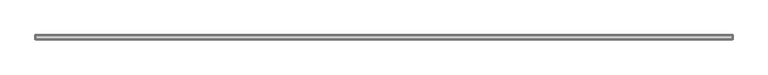
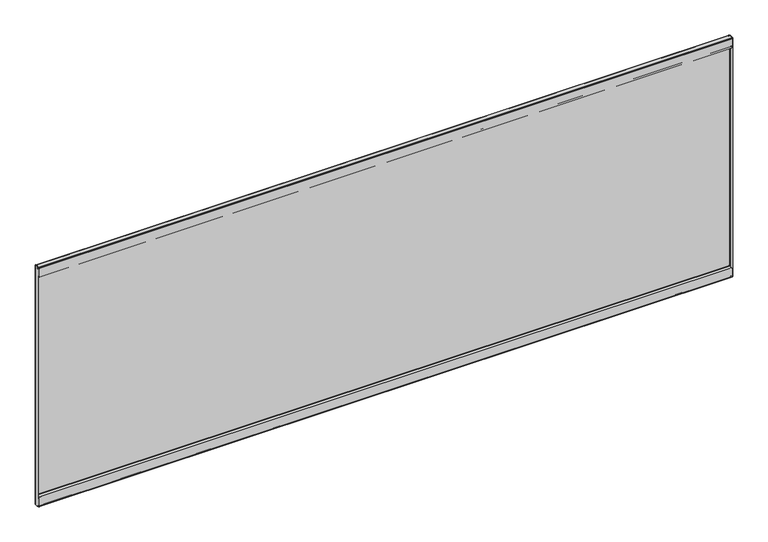
"""IFC4 building model written with IfcOpenShell, lengths in millimetres: furniture geometry."""

from ifc_helpers import new_model, si_unit, origin, place, context, project, spatial, triangles, source, transform, mapped, element, save


def furniture_5db5a4dc(model_context):
    return source(origin(), model_context, "Body", "Tessellation", [
        triangles([(36.8807998, -16.4083996, 61.8998009), (36.8807998, -15.6717996, 61.8998009), (36.1188005, -15.6717996, 61.695621), (36.1188005, -16.4083996, 61.695621), (35.5609767, -15.6717996, 61.1378016), (35.5609767, -16.4083996, 61.1378016), (35.356799, -15.6717996, 60.3757978), (35.356799, -16.4083996, 60.3757978), (35.356799, -16.4083996, 49.9364005), (35.356799, -15.6717996, 49.9364005), (35.356799, -15.8691713, 49.1997994), (35.356799, -16.5070854, 49.5681), (35.356799, -16.4083996, 48.66057), (35.356799, -16.7767001, 49.2984852), (35.356799, -17.1449995, 49.1997994), (35.356799, -17.1449995, 48.4631983), (1793.4940155, -15.6717996, 49.9364005), (1793.4940155, -15.8691713, 49.1997994), (1793.4940155, -16.4083996, 48.66057), (1793.4940155, -17.1449995, 48.4631983), (1791.9699806, -16.4083996, 61.8998009), (1791.9699806, -15.6717996, 61.8998009), (1792.7319981, -15.6717996, 61.695621), (1792.7319981, -16.4083996, 61.695621), (1793.2898129, -15.6717996, 61.1378016), (1793.2898129, -16.4083996, 61.1378016), (1793.4940155, -15.6717996, 60.3757978), (1793.4940155, -16.4083996, 60.3757978), (1793.4940155, -16.4083996, 49.9364005), (1793.4940155, -16.5070854, 49.5681), (1793.4940155, -16.7767001, 49.2984852), (1793.4940155, -17.1449995, 49.1997994), (35.356799, -25.4253989, 49.1997994), (35.356799, -25.4253989, 48.4631983), (35.356799, -25.7936995, 48.3645125), (35.356799, -26.162, 49.0024277), (35.356799, -26.0633142, 48.0948977), (35.356799, -26.7012295, 48.4631983), (35.356799, -26.162, 47.7266017), (35.356799, -26.8985989, 47.7266017), (1793.4940155, -25.4253989, 48.4631983), (1793.4940155, -25.7936995, 48.3645125), (1793.4940155, -26.0633142, 48.0948977), (1793.4940155, -26.162, 47.7266017), (1793.4940155, -25.4253989, 49.1997994), (1793.4940155, -26.162, 49.0024277), (1793.4940155, -26.7012295, 48.4631983), (1793.4940155, -26.8985989, 47.7266017), (35.356799, -26.162, 27.8130007), (35.356799, -26.8985989, 27.8130007), (35.356799, -26.0633142, 27.4447002), (35.356799, -26.7012295, 27.0763996), (35.356799, -26.162, 26.5371724), (35.356799, -25.7936995, 27.1750854), (35.356799, -25.4253989, 26.3398008), (35.356799, -25.4253989, 27.0763996), (1793.4940155, -26.8985989, 27.8130007), (1793.4940155, -26.7012295, 27.0763996), (1793.4940155, -26.162, 26.5371724), (1793.4940155, -25.4253989, 26.3398008), (1793.4940155, -26.162, 27.8130007), (1793.4940155, -26.0633142, 27.4447002), (1793.4940155, -25.7936995, 27.1750854), (1793.4940155, -25.4253989, 27.0763996), (35.356799, -16.4083996, 27.8130007), (35.356799, -15.6717996, 27.8130007), (35.356799, -15.8691713, 27.0763996), (35.356799, -16.5070854, 27.4447002), (35.356799, -16.7767001, 27.1750854), (35.356799, -16.4083996, 26.5371724), (35.356799, -17.1449995, 27.0763996), (35.356799, -17.1449995, 26.3398008), (1793.4940155, -15.6717996, 27.8130007), (1793.4940155, -15.8691713, 27.0763996), (1793.4940155, -16.4083996, 26.5371724), (1793.4940155, -17.1449995, 26.3398008), (1793.4940155, -16.4083996, 27.8130007), (1793.4940155, -16.5070854, 27.4447002), (1793.4940155, -16.7767001, 27.1750854), (1793.4940155, -17.1449995, 27.0763996), (35.356799, -16.4083996, 34.3408), (35.356799, -15.6717996, 34.3408), (35.5609767, -15.6717996, 35.1027992), (35.5609767, -16.4083996, 35.1027992), (36.1188005, -15.6717996, 35.6606231), (36.1188005, -16.4083996, 35.6606231), (36.8807998, -15.6717996, 35.8648008), (36.8807998, -16.4083996, 35.8648008), (1793.4940155, -16.4083996, 34.3408), (1793.2898129, -16.4083996, 35.1027992), (1792.7319981, -16.4083996, 35.6606231), (1791.9699806, -16.4083996, 35.8648008), (1793.4940155, -15.6717996, 34.3408), (1793.2898129, -15.6717996, 35.1027992), (1792.7319981, -15.6717996, 35.6606231), (1791.9699806, -15.6717996, 35.8648008), (36.1188005, -16.4083996, 630.9115625), (36.1188005, -15.6717996, 630.9115625), (36.8807998, -15.6717996, 630.7074326), (36.8807998, -16.4083996, 630.7074326), (35.5609767, -16.4083996, 631.4693773), (35.5609767, -15.6717996, 631.4693773), (35.356799, -16.4083996, 632.2313948), (35.356799, -15.6717996, 632.2313948), (35.356799, -16.5070854, 643.0390926), (35.356799, -15.8691713, 643.4073841), (35.356799, -16.4083996, 642.6708012), (35.356799, -15.6717996, 642.6708012), (35.356799, -16.7767001, 643.3086983), (35.356799, -16.4083996, 643.9465954), (35.356799, -17.1449995, 643.4073841), (35.356799, -17.1449995, 644.1439671), (1793.4940155, -15.8691713, 643.4073841), (1793.4940155, -15.6717996, 642.6708012), (1793.4940155, -16.4083996, 643.9465954), (1793.4940155, -17.1449995, 644.1439671), (1792.7319981, -16.4083996, 630.9115625), (1792.7319981, -15.6717996, 630.9115625), (1791.9699806, -15.6717996, 630.7074326), (1791.9699806, -16.4083996, 630.7074326), (1793.2898129, -16.4083996, 631.4693773), (1793.2898129, -15.6717996, 631.4693773), (1793.4940155, -16.4083996, 632.2313948), (1793.4940155, -15.6717996, 632.2313948), (1793.4940155, -16.5070854, 643.0390926), (1793.4940155, -16.4083996, 642.6708012), (1793.4940155, -16.7767001, 643.3086983), (1793.4940155, -17.1449995, 643.4073841), (35.356799, -26.162, 643.6047558), (35.356799, -25.7936995, 644.2426529), (35.356799, -25.4253989, 644.1439671), (35.356799, -25.4253989, 643.4073841), (35.356799, -26.7012295, 644.1439671), (35.356799, -26.0633142, 644.5123312), (35.356799, -26.8985989, 644.8806227), (35.356799, -26.162, 644.8806227), (1793.4940155, -25.7936995, 644.2426529), (1793.4940155, -25.4253989, 644.1439671), (1793.4940155, -26.0633142, 644.5123312), (1793.4940155, -26.162, 644.8806227), (1793.4940155, -26.162, 643.6047558), (1793.4940155, -25.4253989, 643.4073841), (1793.4940155, -26.7012295, 644.1439671), (1793.4940155, -26.8985989, 644.8806227), (35.356799, -26.0633142, 665.1625242), (35.356799, -26.7012295, 665.5308157), (35.356799, -26.162, 664.7942327), (35.356799, -26.8985989, 664.7942327), (35.356799, -25.7936995, 665.4321299), (35.356799, -26.162, 666.070027), (35.356799, -25.4253989, 665.5308157), (35.356799, -25.4253989, 666.2673986), (1793.4940155, -26.7012295, 665.5308157), (1793.4940155, -26.8985989, 664.7942327), (1793.4940155, -26.162, 666.070027), (1793.4940155, -25.4253989, 666.2673986), (1793.4940155, -26.0633142, 665.1625242), (1793.4940155, -26.162, 664.7942327), (1793.4940155, -25.7936995, 665.4321299), (1793.4940155, -25.4253989, 665.5308157), (35.356799, -16.5070854, 665.1625242), (35.356799, -15.8691713, 665.5308157), (35.356799, -16.4083996, 664.7942327), (35.356799, -15.6717996, 664.7942327), (35.356799, -16.7767001, 665.4321299), (35.356799, -16.4083996, 666.070027), (35.356799, -17.1449995, 665.5308157), (35.356799, -17.1449995, 666.2673986), (1793.4940155, -15.8691713, 665.5308157), (1793.4940155, -15.6717996, 664.7942327), (1793.4940155, -16.4083996, 666.070027), (1793.4940155, -17.1449995, 666.2673986), (1793.4940155, -16.5070854, 665.1625242), (1793.4940155, -16.4083996, 664.7942327), (1793.4940155, -16.7767001, 665.4321299), (1793.4940155, -17.1449995, 665.5308157), (35.5609767, -16.4083996, 657.5044161), (35.5609767, -15.6717996, 657.5044161), (35.356799, -15.6717996, 658.2664335), (35.356799, -16.4083996, 658.2664335), (36.1188005, -16.4083996, 656.9466013), (36.1188005, -15.6717996, 656.9466013), (36.8807998, -16.4083996, 656.7423986), (36.8807998, -15.6717996, 656.7423986), (1793.2898129, -16.4083996, 657.5044161), (1793.4940155, -16.4083996, 658.2664335), (1792.7319981, -16.4083996, 656.9466013), (1791.9699806, -16.4083996, 656.7423986), (1793.2898129, -15.6717996, 657.5044161), (1793.4940155, -15.6717996, 658.2664335), (1792.7319981, -15.6717996, 656.9466013), (1791.9699806, -15.6717996, 656.7423986), (33.2994005, -24.4602007, 667.0039816), (34.0359993, -24.4602007, 667.0039816), (33.2994005, -26.0476992, 666.5786442), (34.0359993, -26.0476992, 666.5786442), (33.2994005, -27.2098308, 665.4165058), (34.0359993, -27.2098308, 665.4165058), (33.2994005, -27.6352, 663.82903), (34.0359993, -27.6352, 663.82903), (34.0359993, -16.4338, 667.0039816), (33.2994005, -16.4338, 667.0039816), (34.1380893, -16.0528004, 667.0039816), (33.500174, -15.6844998, 667.0039816), (34.416999, -15.7738884, 667.0039816), (34.0487007, -15.1359743, 667.0039816), (34.7980009, -14.9351996, 667.0039816), (34.7980009, -15.6717996, 667.0039816), (34.7980009, -16.4338, 667.0039816), (34.7980009, -16.4338, 666.2673986), (34.7980009, -27.0763996, 667.0039816), (34.7980009, -27.0763996, 666.2673986), (34.7980009, -27.4573992, 666.1652973), (34.7980009, -27.8256998, 666.8031944), (34.7980009, -27.7363112, 665.8863899), (34.7980009, -28.3742265, 666.2546814), (34.7980009, -27.8383989, 665.5053812), (34.7980009, -28.575, 665.5053812), (34.7980009, -28.575, 644.77903), (34.7980009, -27.8383989, 644.77903), (35.2233701, -27.8383989, 643.1914816), (35.2233701, -28.575, 643.1914816), (36.3854994, -27.8383989, 642.0293432), (36.3854994, -28.575, 642.0293432), (37.9730001, -27.8383989, 641.6040058), (37.9730001, -28.575, 641.6040058), (1793.4940155, -27.8383989, 644.77903), (1793.0686054, -27.8383989, 643.1914816), (1791.9064671, -27.8383989, 642.0293432), (1790.3190639, -27.8383989, 641.6040058), (1793.4940155, -28.575, 644.77903), (1793.0686054, -28.575, 643.1914816), (1791.9064671, -28.575, 642.0293432), (1790.3190639, -28.575, 641.6040058), (1793.4940155, -27.0763996, 666.2673986), (1793.4940155, -27.4573992, 666.1652973), (1793.4940155, -27.7363112, 665.8863899), (1793.4940155, -27.8383989, 665.5053812), (1793.4940155, -27.0763996, 667.0039816), (1793.4940155, -27.8256998, 666.8031944), (1793.4940155, -28.3742265, 666.2546814), (1793.4940155, -28.575, 665.5053812), (1793.4940155, -16.4338, 666.2673986), (1793.4940155, -16.4338, 667.0039816), (1793.4940155, -16.0676296, 666.9585629), (1793.4940155, -16.2476116, 666.2442896), (1793.4940155, -15.9498418, 666.0940081), (1793.4940155, -15.482014, 666.6629414), (1793.4940155, -15.7448079, 665.8308701), (1793.4940155, -15.0787819, 666.1455311), (1793.4940155, -15.6717996, 665.5053812), (1793.4940155, -14.9351996, 665.5053812), (34.7980009, -16.0676296, 666.9585629), (34.7980009, -16.2476116, 666.2442896), (34.7980009, -15.9498418, 666.0940081), (34.7980009, -15.482014, 666.6629414), (34.7980009, -15.7448079, 665.8308701), (34.7980009, -15.0787819, 666.1455311), (34.7980009, -15.6717996, 665.5053812), (34.7980009, -14.9351996, 665.5053812), (1793.4940155, -15.6717996, 27.1018), (34.7980009, -15.6717996, 27.1018), (1793.4940155, -14.9351996, 27.1018), (34.7980009, -14.9351996, 27.1018), (1793.4940155, -14.9351996, 667.0039816), (1793.4940155, -15.6717996, 667.0039816), (1794.9926159, -16.4338, 667.0039816), (1794.2560329, -16.4338, 667.0039816), (1794.1538589, -16.0528004, 667.0039816), (1794.7917561, -15.6844998, 667.0039816), (1793.8749516, -15.7738884, 667.0039816), (1794.243243, -15.1359743, 667.0039816), (1794.2560329, -16.4338, 25.6031997), (1794.1538589, -16.0528004, 25.6031997), (1793.8749516, -15.7738884, 25.6031997), (1793.4940155, -15.6717996, 25.6031997), (1794.9926159, -16.4338, 25.6031997), (1794.7917561, -15.6844998, 25.6031997), (1794.243243, -15.1359743, 25.6031997), (1793.4940155, -14.9351996, 25.6031997), (1793.4940155, -16.0861389, 25.6440856), (1793.4940155, -16.2570235, 26.3605889), (1793.4940155, -15.9548492, 26.5091377), (1793.4940155, -15.4918619, 25.936228), (1793.4940155, -15.7461932, 26.7734067), (1793.4940155, -15.081507, 26.4559615), (34.7980009, -16.2570235, 26.3605889), (34.7980009, -15.9548492, 26.5091377), (34.7980009, -15.7461932, 26.7734067), (34.7980009, -15.081507, 26.4559615), (34.7980009, -15.4918619, 25.936228), (34.7980009, -16.0861389, 25.6440856), (1793.4940155, -16.4338, 25.6031997), (34.7980009, -16.4338, 25.6031997), (34.7980009, -16.4338, 26.3398008), (1793.4940155, -16.4338, 26.3398008), (1793.4940155, -27.0763996, 26.3398008), (1793.4940155, -27.0763996, 25.6031997), (34.7980009, -27.0763996, 26.3398008), (34.7980009, -27.0763996, 25.6031997), (34.7980009, -27.8383989, 27.1018), (34.7980009, -28.575, 27.1018), (34.7980009, -27.7363112, 26.7208004), (34.7980009, -28.3742265, 26.3524998), (34.7980009, -27.4573992, 26.4418885), (34.7980009, -27.8256998, 25.8039755), (1793.4940155, -27.8383989, 27.1018), (1793.4940155, -27.7363112, 26.7208004), (1793.4940155, -27.4573992, 26.4418885), (1793.4940155, -28.575, 27.1018), (1793.4940155, -28.3742265, 26.3524998), (1793.4940155, -27.8256998, 25.8039755), (1794.9926159, -24.4602007, 25.6031997), (1794.2560329, -24.4602007, 25.6031997), (1794.9926159, -26.0476992, 26.0285689), (1794.2560329, -26.0476992, 26.0285689), (1794.9926159, -27.2098308, 27.1907004), (1794.2560329, -27.2098308, 27.1907004), (1794.9926159, -27.6352, 28.7781989), (1794.2560329, -27.6352, 28.7781989), (1794.2560329, -27.6352, 663.82903), (1794.2560329, -27.2098308, 665.4165058), (1794.2560329, -26.0476992, 666.5786442), (1794.2560329, -24.4602007, 667.0039816), (1794.9926159, -27.6352, 663.82903), (1794.9926159, -27.2098308, 665.4165058), (1794.9926159, -26.0476992, 666.5786442), (1794.9926159, -24.4602007, 667.0039816), (1793.4940155, -28.575, 47.8281989), (1793.4940155, -27.8383989, 47.8281989), (1790.3190639, -27.8383989, 51.0032004), (37.9730001, -27.8383989, 51.0032004), (37.9730001, -28.575, 51.0032004), (1790.3190639, -28.575, 51.0032004), (36.3854994, -27.8383989, 50.5778312), (1791.9064671, -27.8383989, 50.5778312), (35.2233701, -27.8383989, 49.4157019), (1793.0686054, -27.8383989, 49.4157019), (34.7980009, -27.8383989, 47.8281989), (36.3854994, -28.575, 50.5778312), (35.2233701, -28.575, 49.4157019), (34.7980009, -28.575, 47.8281989), (1791.9064671, -28.575, 50.5778312), (1793.0686054, -28.575, 49.4157019), (34.0359993, -27.6352, 28.7781989), (34.0359993, -27.2098308, 27.1907004), (34.0359993, -26.0476992, 26.0285689), (34.0359993, -24.4602007, 25.6031997), (33.2994005, -27.6352, 28.7781989), (33.2994005, -27.2098308, 27.1907004), (33.2994005, -26.0476992, 26.0285689), (33.2994005, -24.4602007, 25.6031997), (34.7980009, -15.6717996, 25.6031997), (34.416999, -15.7738884, 25.6031997), (34.1380893, -16.0528004, 25.6031997), (34.0359993, -16.4338, 25.6031997), (34.7980009, -14.9351996, 25.6031997), (34.0487007, -15.1359743, 25.6031997), (33.500174, -15.6844998, 25.6031997), (33.2994005, -16.4338, 25.6031997)], [[1, 2, 3], [1, 3, 4], [4, 3, 5], [4, 5, 6], [6, 5, 7], [6, 7, 8], [9, 10, 11], [9, 11, 12], [12, 11, 13], [12, 13, 14], [14, 13, 15], [13, 16, 15], [10, 17, 18], [10, 18, 11], [11, 18, 19], [11, 19, 13], [13, 19, 20], [13, 20, 16], [21, 22, 23], [21, 23, 24], [24, 23, 25], [24, 25, 26], [26, 25, 27], [26, 27, 28], [29, 17, 18], [29, 18, 30], [30, 18, 19], [30, 19, 31], [31, 19, 32], [19, 20, 32], [29, 9, 12], [29, 12, 30], [30, 12, 14], [30, 14, 31], [31, 14, 15], [31, 15, 32], [33, 34, 35], [33, 35, 36], [36, 35, 37], [36, 37, 38], [38, 37, 39], [38, 39, 40], [34, 41, 42], [34, 42, 35], [35, 42, 43], [35, 43, 37], [37, 43, 44], [37, 44, 39], [41, 45, 46], [41, 46, 42], [42, 46, 47], [42, 47, 43], [43, 47, 44], [47, 48, 44], [45, 33, 36], [45, 36, 46], [46, 36, 38], [46, 38, 47], [47, 38, 40], [47, 40, 48], [49, 50, 51], [50, 52, 51], [51, 52, 53], [51, 53, 54], [54, 53, 55], [54, 55, 56], [50, 57, 58], [50, 58, 52], [52, 58, 59], [52, 59, 53], [53, 59, 60], [53, 60, 55], [57, 61, 62], [57, 62, 58], [58, 62, 63], [58, 63, 59], [59, 63, 60], [63, 64, 60], [61, 49, 51], [61, 51, 62], [62, 51, 54], [62, 54, 63], [63, 54, 56], [63, 56, 64], [65, 66, 67], [65, 67, 68], [68, 67, 69], [67, 70, 69], [69, 70, 71], [70, 72, 71], [66, 73, 74], [66, 74, 67], [67, 74, 75], [67, 75, 70], [70, 75, 76], [70, 76, 72], [73, 77, 74], [77, 78, 74], [74, 78, 79], [74, 79, 75], [75, 79, 80], [75, 80, 76], [77, 65, 68], [77, 68, 78], [78, 68, 69], [78, 69, 79], [79, 69, 71], [79, 71, 80], [1, 21, 24], [1, 24, 4], [4, 24, 26], [4, 26, 6], [6, 26, 28], [6, 28, 8], [22, 2, 3], [22, 3, 23], [23, 3, 5], [23, 5, 25], [25, 5, 7], [25, 7, 27], [81, 82, 83], [81, 83, 84], [84, 83, 85], [84, 85, 86], [86, 85, 87], [86, 87, 88], [81, 89, 90], [81, 90, 84], [84, 90, 91], [84, 91, 86], [86, 91, 92], [86, 92, 88], [89, 93, 94], [89, 94, 90], [90, 94, 95], [90, 95, 91], [91, 95, 96], [91, 96, 92], [93, 82, 83], [93, 83, 94], [94, 83, 85], [94, 85, 95], [95, 85, 87], [95, 87, 96], [27, 17, 10], [27, 10, 7], [82, 66, 73], [82, 73, 93], [29, 17, 28], [17, 27, 28], [28, 29, 9], [28, 9, 8], [8, 7, 10], [8, 10, 9], [15, 16, 33], [16, 34, 33], [33, 45, 32], [33, 32, 15], [40, 39, 49], [40, 49, 50], [50, 40, 48], [50, 48, 57], [20, 32, 45], [20, 45, 41], [44, 48, 57], [44, 57, 61], [64, 60, 76], [64, 76, 80], [77, 73, 89], [73, 93, 89], [92, 96, 87], [92, 87, 88], [20, 41, 34], [20, 34, 16], [49, 39, 44], [49, 44, 61], [64, 80, 71], [64, 71, 56], [76, 60, 55], [76, 55, 72], [81, 82, 66], [81, 66, 65], [71, 72, 56], [72, 55, 56], [97, 98, 99], [97, 99, 100], [101, 102, 98], [101, 98, 97], [103, 104, 102], [103, 102, 101], [105, 106, 107], [106, 108, 107], [109, 110, 105], [110, 106, 105], [111, 112, 110], [111, 110, 109], [106, 113, 114], [106, 114, 108], [110, 115, 113], [110, 113, 106], [112, 116, 115], [112, 115, 110], [117, 118, 119], [117, 119, 120], [121, 122, 118], [121, 118, 117], [123, 124, 122], [123, 122, 121], [125, 113, 126], [113, 114, 126], [127, 115, 125], [115, 113, 125], [128, 116, 115], [128, 115, 127], [125, 105, 107], [125, 107, 126], [127, 109, 105], [127, 105, 125], [128, 111, 109], [128, 109, 127], [129, 130, 131], [129, 131, 132], [133, 134, 129], [134, 130, 129], [135, 136, 133], [136, 134, 133], [130, 137, 138], [130, 138, 131], [134, 139, 137], [134, 137, 130], [136, 140, 139], [136, 139, 134], [137, 141, 142], [137, 142, 138], [139, 143, 141], [139, 141, 137], [140, 144, 143], [140, 143, 139], [141, 129, 132], [141, 132, 142], [143, 133, 129], [143, 129, 141], [144, 135, 133], [144, 133, 143], [145, 146, 147], [146, 148, 147], [149, 150, 145], [150, 146, 145], [151, 152, 150], [151, 150, 149], [146, 153, 154], [146, 154, 148], [150, 155, 153], [150, 153, 146], [152, 156, 155], [152, 155, 150], [153, 157, 158], [153, 158, 154], [155, 159, 157], [155, 157, 153], [156, 160, 159], [156, 159, 155], [157, 145, 147], [157, 147, 158], [159, 149, 145], [159, 145, 157], [160, 151, 149], [160, 149, 159], [161, 162, 163], [162, 164, 163], [165, 166, 161], [166, 162, 161], [167, 168, 166], [167, 166, 165], [162, 169, 170], [162, 170, 164], [166, 171, 169], [166, 169, 162], [168, 172, 171], [168, 171, 166], [169, 173, 174], [169, 174, 170], [171, 175, 173], [171, 173, 169], [172, 176, 175], [172, 175, 171], [173, 161, 163], [173, 163, 174], [175, 165, 161], [175, 161, 173], [176, 167, 165], [176, 165, 175], [97, 117, 120], [97, 120, 100], [101, 121, 117], [101, 117, 97], [103, 123, 121], [103, 121, 101], [118, 98, 99], [118, 99, 119], [122, 102, 98], [122, 98, 118], [124, 104, 102], [124, 102, 122], [177, 178, 179], [177, 179, 180], [181, 182, 178], [181, 178, 177], [183, 184, 182], [183, 182, 181], [177, 185, 186], [177, 186, 180], [181, 187, 185], [181, 185, 177], [183, 188, 187], [183, 187, 181], [185, 189, 190], [185, 190, 186], [187, 191, 189], [187, 189, 185], [188, 192, 191], [188, 191, 187], [189, 178, 179], [189, 179, 190], [191, 182, 178], [191, 178, 189], [192, 184, 182], [192, 182, 191], [104, 108, 114], [104, 114, 124], [190, 170, 164], [190, 164, 179], [123, 124, 114], [123, 114, 126], [103, 107, 126], [103, 126, 123], [107, 108, 104], [107, 104, 103], [132, 131, 112], [132, 112, 111], [111, 128, 142], [111, 142, 132], [148, 147, 136], [148, 136, 135], [154, 144, 135], [154, 135, 148], [138, 142, 128], [138, 128, 116], [158, 154, 144], [158, 144, 140], [176, 172, 156], [176, 156, 160], [186, 190, 170], [186, 170, 174], [183, 184, 192], [183, 192, 188], [112, 131, 138], [112, 138, 116], [158, 140, 136], [158, 136, 147], [151, 167, 176], [151, 176, 160], [168, 152, 156], [168, 156, 172], [163, 164, 179], [163, 179, 180], [151, 152, 168], [151, 168, 167], [193, 194, 195], [194, 196, 195], [195, 196, 197], [196, 198, 197], [197, 198, 199], [198, 200, 199], [201, 202, 203], [202, 204, 203], [203, 204, 205], [204, 206, 205], [205, 206, 207], [205, 207, 208], [201, 202, 194], [202, 193, 194], [209, 210, 211], [210, 212, 211], [211, 212, 213], [211, 213, 214], [214, 213, 215], [214, 215, 216], [216, 215, 217], [216, 217, 218], [219, 220, 221], [219, 221, 222], [222, 221, 223], [222, 223, 224], [224, 223, 225], [224, 225, 226], [220, 227, 228], [220, 228, 221], [221, 228, 229], [221, 229, 223], [223, 229, 230], [223, 230, 225], [227, 231, 228], [231, 232, 228], [228, 232, 229], [232, 233, 229], [229, 233, 230], [233, 234, 230], [231, 219, 222], [231, 222, 232], [232, 222, 224], [232, 224, 233], [233, 224, 226], [233, 226, 234], [225, 226, 234], [225, 234, 230], [212, 235, 236], [212, 236, 213], [213, 236, 237], [213, 237, 215], [215, 237, 238], [215, 238, 217], [235, 239, 240], [235, 240, 236], [236, 240, 237], [240, 241, 237], [237, 241, 238], [241, 242, 238], [239, 211, 214], [239, 214, 240], [240, 214, 216], [240, 216, 241], [241, 216, 218], [241, 218, 242], [210, 212, 235], [210, 235, 243], [243, 244, 239], [243, 239, 235], [239, 244, 209], [239, 209, 211], [218, 217, 220], [218, 220, 219], [220, 227, 238], [220, 238, 217], [218, 219, 231], [218, 231, 242], [242, 238, 227], [242, 227, 231], [245, 246, 247], [245, 247, 248], [248, 247, 249], [248, 249, 250], [250, 249, 251], [250, 251, 252], [245, 244, 246], [244, 243, 246], [244, 245, 253], [244, 253, 209], [209, 210, 254], [209, 254, 253], [253, 254, 255], [253, 255, 256], [256, 255, 257], [256, 257, 258], [258, 257, 259], [258, 259, 260], [259, 251, 249], [259, 249, 257], [257, 249, 247], [257, 247, 255], [255, 247, 246], [255, 246, 254], [252, 260, 258], [252, 258, 250], [250, 258, 256], [250, 256, 248], [248, 256, 253], [248, 253, 245], [259, 251, 261], [259, 261, 262], [260, 252, 263], [260, 263, 264], [259, 260, 264], [259, 264, 262], [252, 251, 261], [252, 261, 263], [251, 252, 265], [251, 265, 266], [267, 268, 269], [267, 269, 270], [270, 269, 271], [270, 271, 272], [272, 271, 266], [272, 266, 265], [268, 273, 274], [268, 274, 269], [269, 274, 275], [269, 275, 271], [271, 275, 276], [271, 276, 266], [277, 273, 274], [277, 274, 278], [278, 274, 275], [278, 275, 279], [279, 275, 276], [279, 276, 280], [277, 267, 270], [277, 270, 278], [278, 270, 272], [278, 272, 279], [279, 272, 265], [279, 265, 280], [261, 263, 280], [261, 280, 276], [281, 282, 283], [281, 283, 284], [284, 283, 285], [284, 285, 286], [286, 285, 261], [286, 261, 263], [282, 287, 288], [282, 288, 283], [283, 288, 289], [283, 289, 285], [285, 289, 262], [285, 262, 261], [262, 264, 290], [262, 290, 289], [289, 290, 291], [289, 291, 288], [288, 291, 287], [291, 292, 287], [264, 263, 286], [264, 286, 290], [290, 286, 284], [290, 284, 291], [291, 284, 281], [291, 281, 292], [281, 293, 294], [281, 294, 292], [295, 287, 292], [295, 292, 294], [295, 287, 282], [295, 282, 296], [282, 296, 293], [282, 293, 281], [297, 298, 293], [297, 293, 296], [296, 295, 297], [295, 299, 297], [293, 294, 298], [294, 300, 298], [301, 302, 303], [302, 304, 303], [303, 304, 305], [304, 306, 305], [305, 306, 300], [305, 300, 299], [301, 307, 308], [301, 308, 303], [303, 308, 309], [303, 309, 305], [305, 309, 297], [305, 297, 299], [310, 302, 304], [310, 304, 311], [311, 304, 306], [311, 306, 312], [312, 306, 300], [312, 300, 298], [310, 307, 308], [310, 308, 311], [311, 308, 309], [311, 309, 312], [312, 309, 298], [309, 297, 298], [313, 314, 315], [314, 316, 315], [315, 316, 317], [316, 318, 317], [317, 318, 319], [318, 320, 319], [320, 321, 322], [320, 322, 318], [318, 322, 323], [318, 323, 316], [316, 323, 324], [316, 324, 314], [321, 325, 326], [321, 326, 322], [322, 326, 327], [322, 327, 323], [323, 327, 328], [323, 328, 324], [320, 319, 325], [320, 325, 321], [268, 324, 314], [268, 314, 273], [273, 314, 313], [273, 313, 277], [277, 313, 328], [277, 328, 267], [267, 268, 328], [268, 324, 328], [310, 307, 329], [307, 330, 329], [331, 332, 333], [331, 333, 334], [331, 332, 335], [331, 335, 336], [336, 335, 337], [336, 337, 338], [338, 337, 339], [338, 339, 330], [332, 333, 340], [332, 340, 335], [335, 340, 337], [340, 341, 337], [337, 341, 342], [337, 342, 339], [333, 334, 343], [333, 343, 340], [340, 343, 344], [340, 344, 341], [341, 344, 329], [341, 329, 342], [334, 331, 336], [334, 336, 343], [343, 336, 338], [343, 338, 344], [344, 338, 330], [344, 330, 329], [200, 345, 346], [200, 346, 198], [198, 346, 347], [198, 347, 196], [196, 347, 348], [196, 348, 194], [345, 349, 350], [345, 350, 346], [346, 350, 351], [346, 351, 347], [347, 351, 352], [347, 352, 348], [349, 199, 197], [349, 197, 350], [350, 197, 195], [350, 195, 351], [351, 195, 193], [351, 193, 352], [200, 199, 349], [200, 349, 345], [208, 207, 260], [208, 260, 259], [208, 353, 354], [208, 354, 205], [205, 354, 355], [205, 355, 203], [203, 355, 356], [203, 356, 201], [353, 357, 358], [353, 358, 354], [354, 358, 359], [354, 359, 355], [355, 359, 356], [359, 360, 356], [262, 264, 357], [262, 357, 353], [357, 207, 206], [357, 206, 358], [358, 206, 204], [358, 204, 359], [359, 204, 202], [359, 202, 360], [201, 194, 348], [201, 348, 356], [202, 193, 352], [202, 352, 360], [307, 330, 301], [330, 339, 301], [301, 302, 342], [301, 342, 339], [310, 329, 302], [329, 342, 302], [319, 325, 326], [319, 326, 317], [326, 317, 315], [326, 315, 327], [315, 327, 328], [315, 328, 313]], closed=False),
    ])


if __name__ == "__main__":
    model = new_model("IFC4")
    model_context = context("Model", 3, world=origin())
    ifc_project = project(units=[si_unit("LENGTHUNIT", "METRE", prefix="MILLI")], contexts=[model_context])
    site = spatial("IfcSite", under=ifc_project)
    building = spatial("IfcBuilding", under=site)
    placement = place(None, origin())
    furniture_shape = furniture_5db5a4dc(model_context)
    element("IfcFurniture", 1, at=placement, inside=building, context=model_context, shape_type="MappedRepresentation", body=[
        mapped(furniture_shape, transform((0.0, 0.0, 0.0), x_axis=(1.0, 0.0, 0.0), y_axis=(0.0, 1.0, 0.0), z_axis=(0.0, 0.0, 1.0))),
    ])
    save(model, "model.ifc")
